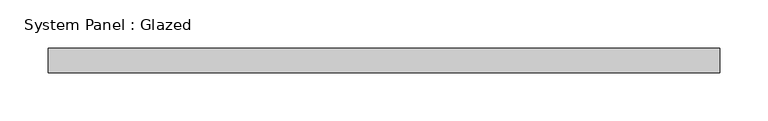
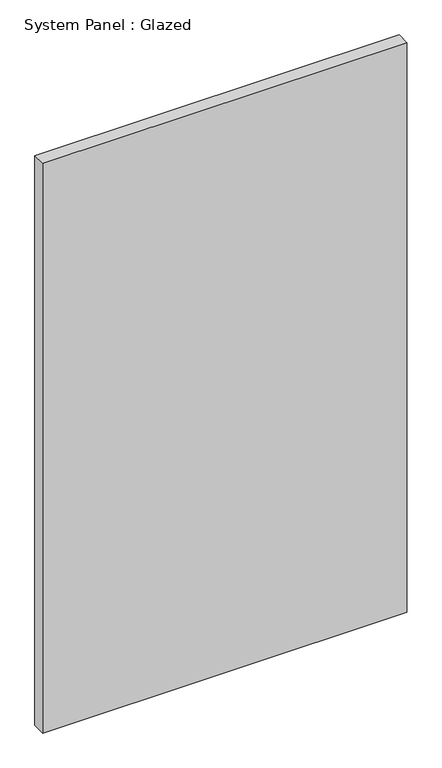
"""IFC4 building model written with IfcOpenShell, lengths in millimetres: plate geometry, System Panel : Glazed."""

from ifc_helpers import new_model, si_unit, origin, origin_with_axes, place, context, project, spatial, polyline, outline, extrude, source, transform, mapped, element, save


def system_panel_glazed_7b5ce646(model_context):
    return source(origin(), model_context, "Body", "SweptSolid", [
        extrude(outline(polyline([(349.25, 19.05), (-349.25, 19.05), (-349.25, 44.45), (349.25, 44.45), (349.25, 19.05)])), origin_with_axes(), (0.0, 0.0, 1.0), 1155.7),
    ])


if __name__ == "__main__":
    model = new_model("IFC4")
    model_context = context("Model", 3, world=origin())
    ifc_project = project(units=[si_unit("LENGTHUNIT", "METRE", prefix="MILLI")], contexts=[model_context])
    site = spatial("IfcSite", under=ifc_project)
    building = spatial("IfcBuilding", under=site)
    placement = place(None, origin())
    system_panel_glazed_shape = system_panel_glazed_7b5ce646(model_context)
    element("IfcPlate", 1, ObjectType="System Panel : Glazed", at=placement, inside=building, context=model_context, shape_type="MappedRepresentation", body=[
        mapped(system_panel_glazed_shape, transform((0.0, 0.0, 0.0), x_axis=(1.0, 0.0, 0.0), y_axis=(0.0, 1.0, 0.0), z_axis=(0.0, 0.0, 1.0))),
    ])
    save(model, "model.ifc")
